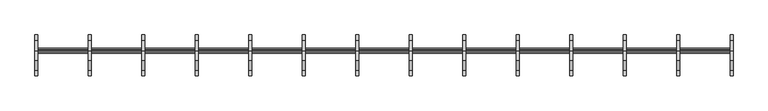
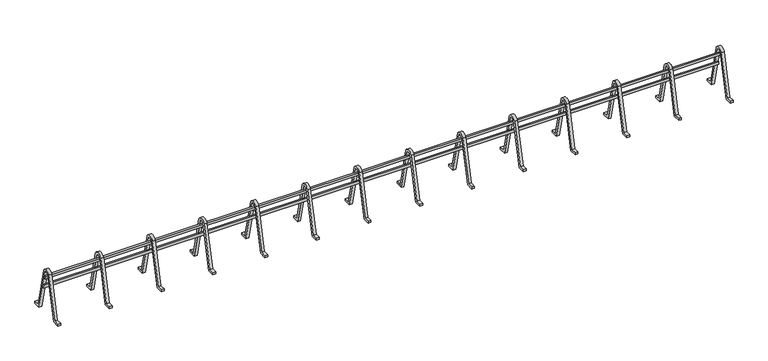
"""IFC4 building model written with IfcOpenShell, lengths in millimetres: proxy geometry."""

from ifc_helpers import new_model, si_unit, point, frame, frame_2d, origin, place, context, project, spatial, polyline, circle_curve, trimmed, segment, composite_curve, outline, extrude, source, transform, mapped, element, save


def generic_models_116a34ba(model_context):
    return source(origin(), model_context, "Body", "SweptSolid", [
        extrude(outline(composite_curve([segment(polyline([(180.0, 4123.0), (35.7486691, 4740.6610972)]), True, "CONTINUOUS"), segment(trimmed(circle_curve(frame_2d((0.0, 4723.0)), 39.8733206), [point((35.7486691, 4740.6610972))], [point((-35.7486691, 4740.6610972))], True, "CARTESIAN"), True, "CONTINUOUS"), segment(polyline([(-35.7486691, 4740.6610972), (-180.0, 4123.0), (-280.0, 4123.0), (-280.0, 4153.0), (-203.8009495, 4153.0), (-64.2870387, 4750.376223)]), True, "CONTINUOUS"), segment(trimmed(circle_curve(frame_2d((0.0, 4723.0)), 69.8733206), [point((-64.2870387, 4750.376223))], [point((64.2870387, 4750.376223))], False, "CARTESIAN"), True, "CONTINUOUS"), segment(polyline([(64.2870387, 4750.376223), (203.8009495, 4153.0), (280.0, 4153.0), (280.0, 4123.0), (180.0, 4123.0)]), True, "CONTINUOUS")], self_intersect=False)), frame((4113.1006746, 0.0, 0.0), z_axis=(1.0, 0.0, 0.0), x_axis=(0.0, 1.0, 0.0)), (0.0, 0.0, 1.0), 40.0),
        extrude(outline(composite_curve([segment(polyline([(180.0, 4123.0), (35.7486691, 4740.6610972)]), True, "CONTINUOUS"), segment(trimmed(circle_curve(frame_2d((0.0, 4723.0)), 39.8733206), [point((35.7486691, 4740.6610972))], [point((-35.7486691, 4740.6610972))], True, "CARTESIAN"), True, "CONTINUOUS"), segment(polyline([(-35.7486691, 4740.6610972), (-180.0, 4123.0), (-280.0, 4123.0), (-280.0, 4153.0), (-203.8009495, 4153.0), (-64.2870387, 4750.376223)]), True, "CONTINUOUS"), segment(trimmed(circle_curve(frame_2d((0.0, 4723.0)), 69.8733206), [point((-64.2870387, 4750.376223))], [point((64.2870387, 4750.376223))], False, "CARTESIAN"), True, "CONTINUOUS"), segment(polyline([(64.2870387, 4750.376223), (203.8009495, 4153.0), (280.0, 4153.0), (280.0, 4123.0), (180.0, 4123.0)]), True, "CONTINUOUS")], self_intersect=False)), frame((3381.3699054, 0.0, 0.0), z_axis=(1.0, 0.0, 0.0), x_axis=(0.0, 1.0, 0.0)), (0.0, 0.0, 1.0), 40.0),
        extrude(outline(composite_curve([segment(polyline([(180.0, 4123.0), (35.7486691, 4740.6610972)]), True, "CONTINUOUS"), segment(trimmed(circle_curve(frame_2d((0.0, 4723.0)), 39.8733206), [point((35.7486691, 4740.6610972))], [point((-35.7486691, 4740.6610972))], True, "CARTESIAN"), True, "CONTINUOUS"), segment(polyline([(-35.7486691, 4740.6610972), (-180.0, 4123.0), (-280.0, 4123.0), (-280.0, 4153.0), (-203.8009495, 4153.0), (-64.2870387, 4750.376223)]), True, "CONTINUOUS"), segment(trimmed(circle_curve(frame_2d((0.0, 4723.0)), 69.8733206), [point((-64.2870387, 4750.376223))], [point((64.2870387, 4750.376223))], False, "CARTESIAN"), True, "CONTINUOUS"), segment(polyline([(64.2870387, 4750.376223), (203.8009495, 4153.0), (280.0, 4153.0), (280.0, 4123.0), (180.0, 4123.0)]), True, "CONTINUOUS")], self_intersect=False)), frame((2649.6391361, 0.0, 0.0), z_axis=(1.0, 0.0, 0.0), x_axis=(0.0, 1.0, 0.0)), (0.0, 0.0, 1.0), 40.0),
        extrude(outline(composite_curve([segment(polyline([(180.0, 4123.0), (35.7486691, 4740.6610972)]), True, "CONTINUOUS"), segment(trimmed(circle_curve(frame_2d((0.0, 4723.0)), 39.8733206), [point((35.7486691, 4740.6610972))], [point((-35.7486691, 4740.6610972))], True, "CARTESIAN"), True, "CONTINUOUS"), segment(polyline([(-35.7486691, 4740.6610972), (-180.0, 4123.0), (-280.0, 4123.0), (-280.0, 4153.0), (-203.8009495, 4153.0), (-64.2870387, 4750.376223)]), True, "CONTINUOUS"), segment(trimmed(circle_curve(frame_2d((0.0, 4723.0)), 69.8733206), [point((-64.2870387, 4750.376223))], [point((64.2870387, 4750.376223))], False, "CARTESIAN"), True, "CONTINUOUS"), segment(polyline([(64.2870387, 4750.376223), (203.8009495, 4153.0), (280.0, 4153.0), (280.0, 4123.0), (180.0, 4123.0)]), True, "CONTINUOUS")], self_intersect=False)), frame((1917.9083669, 0.0, 0.0), z_axis=(1.0, 0.0, 0.0), x_axis=(0.0, 1.0, 0.0)), (0.0, 0.0, 1.0), 40.0),
        extrude(outline(composite_curve([segment(polyline([(180.0, 4123.0), (35.7486691, 4740.6610972)]), True, "CONTINUOUS"), segment(trimmed(circle_curve(frame_2d((0.0, 4723.0)), 39.8733206), [point((35.7486691, 4740.6610972))], [point((-35.7486691, 4740.6610972))], True, "CARTESIAN"), True, "CONTINUOUS"), segment(polyline([(-35.7486691, 4740.6610972), (-180.0, 4123.0), (-280.0, 4123.0), (-280.0, 4153.0), (-203.8009495, 4153.0), (-64.2870387, 4750.376223)]), True, "CONTINUOUS"), segment(trimmed(circle_curve(frame_2d((0.0, 4723.0)), 69.8733206), [point((-64.2870387, 4750.376223))], [point((64.2870387, 4750.376223))], False, "CARTESIAN"), True, "CONTINUOUS"), segment(polyline([(64.2870387, 4750.376223), (203.8009495, 4153.0), (280.0, 4153.0), (280.0, 4123.0), (180.0, 4123.0)]), True, "CONTINUOUS")], self_intersect=False)), frame((1186.1775977, 0.0, 0.0), z_axis=(1.0, 0.0, 0.0), x_axis=(0.0, 1.0, 0.0)), (0.0, 0.0, 1.0), 40.0),
        extrude(outline(composite_curve([segment(polyline([(180.0, 4123.0), (35.7486691, 4740.6610972)]), True, "CONTINUOUS"), segment(trimmed(circle_curve(frame_2d((0.0, 4723.0)), 39.8733206), [point((35.7486691, 4740.6610972))], [point((-35.7486691, 4740.6610972))], True, "CARTESIAN"), True, "CONTINUOUS"), segment(polyline([(-35.7486691, 4740.6610972), (-180.0, 4123.0), (-280.0, 4123.0), (-280.0, 4153.0), (-203.8009495, 4153.0), (-64.2870387, 4750.376223)]), True, "CONTINUOUS"), segment(trimmed(circle_curve(frame_2d((0.0, 4723.0)), 69.8733206), [point((-64.2870387, 4750.376223))], [point((64.2870387, 4750.376223))], False, "CARTESIAN"), True, "CONTINUOUS"), segment(polyline([(64.2870387, 4750.376223), (203.8009495, 4153.0), (280.0, 4153.0), (280.0, 4123.0), (180.0, 4123.0)]), True, "CONTINUOUS")], self_intersect=False)), frame((454.4468284, 0.0, 0.0), z_axis=(1.0, 0.0, 0.0), x_axis=(0.0, 1.0, 0.0)), (0.0, 0.0, 1.0), 40.0),
        extrude(outline(composite_curve([segment(polyline([(180.0, 4123.0), (35.7486691, 4740.6610972)]), True, "CONTINUOUS"), segment(trimmed(circle_curve(frame_2d((0.0, 4723.0)), 39.8733206), [point((35.7486691, 4740.6610972))], [point((-35.7486691, 4740.6610972))], True, "CARTESIAN"), True, "CONTINUOUS"), segment(polyline([(-35.7486691, 4740.6610972), (-180.0, 4123.0), (-280.0, 4123.0), (-280.0, 4153.0), (-203.8009495, 4153.0), (-64.2870387, 4750.376223)]), True, "CONTINUOUS"), segment(trimmed(circle_curve(frame_2d((0.0, 4723.0)), 69.8733206), [point((-64.2870387, 4750.376223))], [point((64.2870387, 4750.376223))], False, "CARTESIAN"), True, "CONTINUOUS"), segment(polyline([(64.2870387, 4750.376223), (203.8009495, 4153.0), (280.0, 4153.0), (280.0, 4123.0), (180.0, 4123.0)]), True, "CONTINUOUS")], self_intersect=False)), frame((-277.2839408, 0.0, 0.0), z_axis=(1.0, 0.0, 0.0), x_axis=(0.0, 1.0, 0.0)), (0.0, 0.0, 1.0), 40.0),
        extrude(outline(composite_curve([segment(polyline([(180.0, 4123.0), (35.7486691, 4740.6610972)]), True, "CONTINUOUS"), segment(trimmed(circle_curve(frame_2d((0.0, 4723.0)), 39.8733206), [point((35.7486691, 4740.6610972))], [point((-35.7486691, 4740.6610972))], True, "CARTESIAN"), True, "CONTINUOUS"), segment(polyline([(-35.7486691, 4740.6610972), (-180.0, 4123.0), (-280.0, 4123.0), (-280.0, 4153.0), (-203.8009495, 4153.0), (-64.2870387, 4750.376223)]), True, "CONTINUOUS"), segment(trimmed(circle_curve(frame_2d((0.0, 4723.0)), 69.8733206), [point((-64.2870387, 4750.376223))], [point((64.2870387, 4750.376223))], False, "CARTESIAN"), True, "CONTINUOUS"), segment(polyline([(64.2870387, 4750.376223), (203.8009495, 4153.0), (280.0, 4153.0), (280.0, 4123.0), (180.0, 4123.0)]), True, "CONTINUOUS")], self_intersect=False)), frame((-1009.01471, 0.0, 0.0), z_axis=(1.0, 0.0, 0.0), x_axis=(0.0, 1.0, 0.0)), (0.0, 0.0, 1.0), 40.0),
        extrude(outline(polyline([(0.0, -20.0), (0.0, 0.0), (9552.5, 0.0), (9552.5, -20.0), (0.0, -20.0)])), frame((4884.8314438, 40.7916038, 4631.1268223), z_axis=(0.0, -0.22742459502664225, 0.9737956939609909), x_axis=(-1.0, 0.0, 0.0)), (0.0, 0.0, 1.0), 45.0),
        extrude(outline(polyline([(0.0, -20.0), (0.0, 0.0), (9552.5, 0.0), (9552.5, -20.0), (0.0, -20.0)])), frame((4884.8314438, 77.179539, 4475.3195112), z_axis=(0.0, -0.22742459502664156, 0.973795693960991), x_axis=(-1.0, 0.0, 0.0)), (0.0, 0.0, 1.0), 45.0),
        extrude(outline(composite_curve([segment(polyline([(180.0, 4123.0), (35.7486691, 4740.6610972)]), True, "CONTINUOUS"), segment(trimmed(circle_curve(frame_2d((0.0, 4723.0)), 39.8733206), [point((35.7486691, 4740.6610972))], [point((-35.7486691, 4740.6610972))], True, "CARTESIAN"), True, "CONTINUOUS"), segment(polyline([(-35.7486691, 4740.6610972), (-180.0, 4123.0), (-280.0, 4123.0), (-280.0, 4153.0), (-203.8009495, 4153.0), (-64.2870387, 4750.376223)]), True, "CONTINUOUS"), segment(trimmed(circle_curve(frame_2d((0.0, 4723.0)), 69.8733206), [point((-64.2870387, 4750.376223))], [point((64.2870387, 4750.376223))], False, "CARTESIAN"), True, "CONTINUOUS"), segment(polyline([(64.2870387, 4750.376223), (203.8009495, 4153.0), (280.0, 4153.0), (280.0, 4123.0), (180.0, 4123.0)]), True, "CONTINUOUS")], self_intersect=False)), frame((-1740.7454792, 0.0, 0.0), z_axis=(1.0, 0.0, 0.0), x_axis=(0.0, 1.0, 0.0)), (0.0, 0.0, 1.0), 40.0),
        extrude(outline(composite_curve([segment(polyline([(180.0, 4123.0), (35.7486691, 4740.6610972)]), True, "CONTINUOUS"), segment(trimmed(circle_curve(frame_2d((0.0, 4723.0)), 39.8733206), [point((35.7486691, 4740.6610972))], [point((-35.7486691, 4740.6610972))], True, "CARTESIAN"), True, "CONTINUOUS"), segment(polyline([(-35.7486691, 4740.6610972), (-180.0, 4123.0), (-280.0, 4123.0), (-280.0, 4153.0), (-203.8009495, 4153.0), (-64.2870387, 4750.376223)]), True, "CONTINUOUS"), segment(trimmed(circle_curve(frame_2d((0.0, 4723.0)), 69.8733206), [point((-64.2870387, 4750.376223))], [point((64.2870387, 4750.376223))], False, "CARTESIAN"), True, "CONTINUOUS"), segment(polyline([(64.2870387, 4750.376223), (203.8009495, 4153.0), (280.0, 4153.0), (280.0, 4123.0), (180.0, 4123.0)]), True, "CONTINUOUS")], self_intersect=False)), frame((-2472.4762485, 0.0, 0.0), z_axis=(1.0, 0.0, 0.0), x_axis=(0.0, 1.0, 0.0)), (0.0, 0.0, 1.0), 40.0),
        extrude(outline(composite_curve([segment(polyline([(180.0, 4123.0), (35.7486691, 4740.6610972)]), True, "CONTINUOUS"), segment(trimmed(circle_curve(frame_2d((0.0, 4723.0)), 39.8733206), [point((35.7486691, 4740.6610972))], [point((-35.7486691, 4740.6610972))], True, "CARTESIAN"), True, "CONTINUOUS"), segment(polyline([(-35.7486691, 4740.6610972), (-180.0, 4123.0), (-280.0, 4123.0), (-280.0, 4153.0), (-203.8009495, 4153.0), (-64.2870387, 4750.376223)]), True, "CONTINUOUS"), segment(trimmed(circle_curve(frame_2d((0.0, 4723.0)), 69.8733206), [point((-64.2870387, 4750.376223))], [point((64.2870387, 4750.376223))], False, "CARTESIAN"), True, "CONTINUOUS"), segment(polyline([(64.2870387, 4750.376223), (203.8009495, 4153.0), (280.0, 4153.0), (280.0, 4123.0), (180.0, 4123.0)]), True, "CONTINUOUS")], self_intersect=False)), frame((-3204.2070177, 0.0, 0.0), z_axis=(1.0, 0.0, 0.0), x_axis=(0.0, 1.0, 0.0)), (0.0, 0.0, 1.0), 40.0),
        extrude(outline(composite_curve([segment(polyline([(180.0, 4123.0), (35.7486691, 4740.6610972)]), True, "CONTINUOUS"), segment(trimmed(circle_curve(frame_2d((0.0, 4723.0)), 39.8733206), [point((35.7486691, 4740.6610972))], [point((-35.7486691, 4740.6610972))], True, "CARTESIAN"), True, "CONTINUOUS"), segment(polyline([(-35.7486691, 4740.6610972), (-180.0, 4123.0), (-280.0, 4123.0), (-280.0, 4153.0), (-203.8009495, 4153.0), (-64.2870387, 4750.376223)]), True, "CONTINUOUS"), segment(trimmed(circle_curve(frame_2d((0.0, 4723.0)), 69.8733206), [point((-64.2870387, 4750.376223))], [point((64.2870387, 4750.376223))], False, "CARTESIAN"), True, "CONTINUOUS"), segment(polyline([(64.2870387, 4750.376223), (203.8009495, 4153.0), (280.0, 4153.0), (280.0, 4123.0), (180.0, 4123.0)]), True, "CONTINUOUS")], self_intersect=False)), frame((-3935.9377869, 0.0, 0.0), z_axis=(1.0, 0.0, 0.0), x_axis=(0.0, 1.0, 0.0)), (0.0, 0.0, 1.0), 40.0),
        extrude(outline(composite_curve([segment(polyline([(180.0, 4123.0), (35.7486691, 4740.6610972)]), True, "CONTINUOUS"), segment(trimmed(circle_curve(frame_2d((0.0, 4723.0)), 39.8733206), [point((35.7486691, 4740.6610972))], [point((-35.7486691, 4740.6610972))], True, "CARTESIAN"), True, "CONTINUOUS"), segment(polyline([(-35.7486691, 4740.6610972), (-180.0, 4123.0), (-280.0, 4123.0), (-280.0, 4153.0), (-203.8009495, 4153.0), (-64.2870387, 4750.376223)]), True, "CONTINUOUS"), segment(trimmed(circle_curve(frame_2d((0.0, 4723.0)), 69.8733206), [point((-64.2870387, 4750.376223))], [point((64.2870387, 4750.376223))], False, "CARTESIAN"), True, "CONTINUOUS"), segment(polyline([(64.2870387, 4750.376223), (203.8009495, 4153.0), (280.0, 4153.0), (280.0, 4123.0), (180.0, 4123.0)]), True, "CONTINUOUS")], self_intersect=False)), frame((4844.8314438, 0.0, 0.0), z_axis=(1.0, 0.0, 0.0), x_axis=(0.0, 1.0, 0.0)), (0.0, 0.0, 1.0), 40.0),
        extrude(outline(composite_curve([segment(polyline([(180.0, 4123.0), (35.7486691, 4740.6610972)]), True, "CONTINUOUS"), segment(trimmed(circle_curve(frame_2d((0.0, 4723.0)), 39.8733206), [point((35.7486691, 4740.6610972))], [point((-35.7486691, 4740.6610972))], True, "CARTESIAN"), True, "CONTINUOUS"), segment(polyline([(-35.7486691, 4740.6610972), (-180.0, 4123.0), (-280.0, 4123.0), (-280.0, 4153.0), (-203.8009495, 4153.0), (-64.2870387, 4750.376223)]), True, "CONTINUOUS"), segment(trimmed(circle_curve(frame_2d((0.0, 4723.0)), 69.8733206), [point((-64.2870387, 4750.376223))], [point((64.2870387, 4750.376223))], False, "CARTESIAN"), True, "CONTINUOUS"), segment(polyline([(64.2870387, 4750.376223), (203.8009495, 4153.0), (280.0, 4153.0), (280.0, 4123.0), (180.0, 4123.0)]), True, "CONTINUOUS")], self_intersect=False)), frame((-4667.6685562, 0.0, 0.0), z_axis=(1.0, 0.0, 0.0), x_axis=(0.0, 1.0, 0.0)), (0.0, 0.0, 1.0), 40.0),
    ])


if __name__ == "__main__":
    model = new_model("IFC4")
    model_context = context("Model", 3, world=origin())
    ifc_project = project(units=[si_unit("LENGTHUNIT", "METRE", prefix="MILLI")], contexts=[model_context])
    site = spatial("IfcSite", under=ifc_project)
    building = spatial("IfcBuilding", under=site)
    placement = place(None, origin())
    generic_models_shape = generic_models_116a34ba(model_context)
    element("IfcBuildingElementProxy", 1, Name="Generic Models", at=placement, inside=building, context=model_context, shape_type="MappedRepresentation", body=[
        mapped(generic_models_shape, transform((0.0, 0.0, 0.0), x_axis=(1.0, 0.0, 0.0), y_axis=(0.0, 1.0, 0.0), z_axis=(0.0, 0.0, 1.0))),
    ])
    save(model, "model.ifc")
